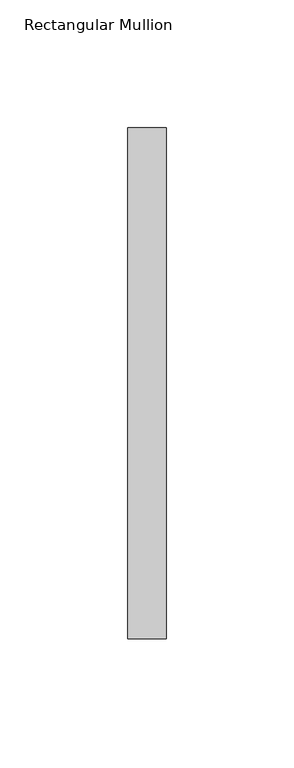
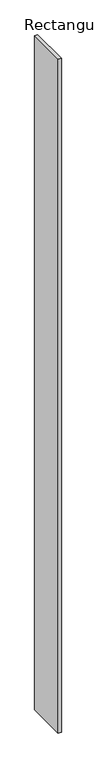
"""IFC4 building model written with IfcOpenShell, lengths in millimetres: member geometry, Rectangular Mullion."""

from ifc_helpers import new_model, si_unit, frame, origin, place, context, project, spatial, polyline, outline, extrude, source, transform, mapped, element, save


def rectangular_mullion_00799c96(model_context):
    return source(origin(), model_context, "Body", "SweptSolid", [
        extrude(outline(polyline([(-15.0, -53.0), (0.0, -53.0), (0.0, -253.0), (-15.0, -253.0), (-15.0, -53.0)])), frame((0.0, 0.0, -3492.7017115), z_axis=(0.0, 0.0, 1.0), x_axis=(1.0, 0.0, 0.0)), (0.0, 0.0, 1.0), 3492.7017115),
    ])


if __name__ == "__main__":
    model = new_model("IFC4")
    model_context = context("Model", 3, world=origin())
    ifc_project = project(units=[si_unit("LENGTHUNIT", "METRE", prefix="MILLI")], contexts=[model_context])
    site = spatial("IfcSite", under=ifc_project)
    building = spatial("IfcBuilding", under=site)
    placement = place(None, origin())
    rectangular_mullion_shape = rectangular_mullion_00799c96(model_context)
    element("IfcMember", 1, ObjectType="Rectangular Mullion", at=placement, inside=building, context=model_context, shape_type="MappedRepresentation", body=[
        mapped(rectangular_mullion_shape, transform((0.0, 0.0, 0.0), x_axis=(1.0, 0.0, 0.0), y_axis=(0.0, 1.0, 0.0), z_axis=(0.0, 0.0, 1.0))),
    ])
    save(model, "model.ifc")
